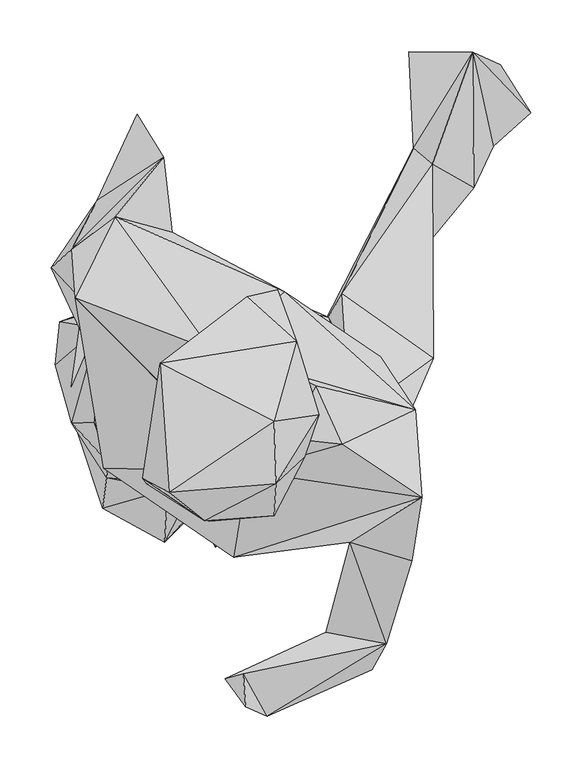
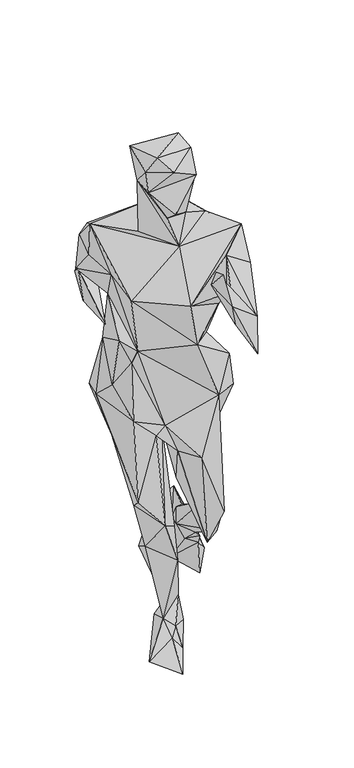
"""IFC4 building model written with IfcOpenShell, lengths in millimetres: geographic element geometry."""

import ifcopenshell
import ifcopenshell.guid

model = None  # the IFC model being written
_history = None  # IfcOwnerHistory: only IFC2X3 demands one
_inside = {}  # id of a spatial element -> (the spatial element, [elements in it])
_under = {}  # id of a project, library or spatial element -> (it, [spatial elements below it])
_declared = {}  # id of a project -> (the project, [libraries it declares])
_typed = {}  # id of a type object -> (the type object, [elements of that type])
_made_of = {}  # id of a material, layer set ... -> (it, [elements and type objects made of it])


def new_model(schema):
    """Start an empty IFC model of exactly this schema.

    Asked for "IFC4X3", IfcOpenShell would pick the latest addendum, in which some entities
    have other attributes; the version numbers below select the first issue.
    IFC2X3 requires an IfcOwnerHistory on every rooted entity: one is made here for all.
    """
    global model, _history
    if schema == "IFC4X3":
        model = ifcopenshell.file(schema_version=(4, 3, 0, 0))
    else:
        model = ifcopenshell.file(schema=schema)
    _inside.clear()
    _under.clear()
    _declared.clear()
    _typed.clear()
    _made_of.clear()
    _history = None
    if model.schema == "IFC2X3":
        org = make("IfcOrganization", Name="unknown")
        user = make(
            "IfcPersonAndOrganization",
            ThePerson=make("IfcPerson", FamilyName="unknown"),
            TheOrganization=org,
        )
        app = make(
            "IfcApplication",
            ApplicationDeveloper=org,
            Version="unknown",
            ApplicationFullName="unknown",
            ApplicationIdentifier="unknown",
        )
        _history = make(
            "IfcOwnerHistory",
            OwningUser=user,
            OwningApplication=app,
            ChangeAction="ADDED",
            CreationDate=0,
        )
    return model


def make(cls, **values):
    """One entity of the class cls with the attributes given. An attribute that is None is left unset."""
    return model.create_entity(
        cls, **{name: value for name, value in values.items() if value is not None}
    )


def rooted(cls, **values):
    """An entity with a GlobalId (a new one), such as an element, a storey or a relation."""
    return make(cls, GlobalId=ifcopenshell.guid.new(), OwnerHistory=_history, **values)


def si_unit(unit_type, name, prefix=None):
    """IfcSIUnit, for example si_unit("LENGTHUNIT", "METRE", prefix="MILLI")."""
    return make("IfcSIUnit", UnitType=unit_type, Prefix=prefix, Name=name)


def assignment(units):
    """IfcUnitAssignment: the units of a project."""
    return None if units is None else make("IfcUnitAssignment", Units=units)


def point(xyz):
    """IfcCartesianPoint."""
    return None if xyz is None else make("IfcCartesianPoint", Coordinates=xyz)


def direction(xyz):
    """IfcDirection."""
    return None if xyz is None else make("IfcDirection", DirectionRatios=xyz)


def frame(location, z_axis=None, x_axis=None):
    """IfcAxis2Placement3D, a coordinate frame: its origin and axes. An axis left out is left unset."""
    return make(
        "IfcAxis2Placement3D",
        Location=point(location),
        Axis=direction(z_axis),
        RefDirection=direction(x_axis),
    )


def origin():
    """The frame at (0, 0, 0) with its axes left unset."""
    return frame((0.0, 0.0, 0.0))


def place(relative_to, where):
    """IfcLocalPlacement: puts the frame where relative to a parent placement (None: the world)."""
    return make(
        "IfcLocalPlacement", PlacementRelTo=relative_to, RelativePlacement=where
    )


def context(
    kind, dimensions, precision=None, world=None, true_north=None, identifier=None
):
    """IfcGeometricRepresentationContext, for example the 3D "Model" context."""
    return make(
        "IfcGeometricRepresentationContext",
        ContextIdentifier=identifier,
        ContextType=kind,
        CoordinateSpaceDimension=dimensions,
        Precision=precision,
        WorldCoordinateSystem=world,
        TrueNorth=true_north,
    )


def project(units=None, contexts=None):
    """IfcProject with its units and contexts."""
    return rooted(
        "IfcProject",
        Name="project",
        RepresentationContexts=contexts,
        UnitsInContext=assignment(units),
    )


def spatial(cls, under=None, at=None, **own):
    """A site, building, storey or space (cls), placed at a placement, below another one or the project."""
    s = rooted(cls, ObjectPlacement=at, **own)
    if under is not None:
        _under.setdefault(under.id(), (under, []))[1].append(s)
    return s


def faces_of(points, faces, orient=None, outer=None):
    """IfcFace entities. A face is a list of loops; a loop is a list of indices into points, from 0.

    orient and outer hold one flag for each loop. By default every Orientation is true, the
    first loop of a face is its IfcFaceOuterBound and the others are IfcFaceBound.
    """
    made = []
    for i, loops in enumerate(faces):
        bounds = []
        for j, loop in enumerate(loops):
            is_outer = j == 0 if outer is None else outer[i][j]
            bounds.append(
                make(
                    "IfcFaceOuterBound" if is_outer else "IfcFaceBound",
                    Bound=make("IfcPolyLoop", Polygon=[points[k] for k in loop]),
                    Orientation=True if orient is None else orient[i][j],
                )
            )
        made.append(make("IfcFace", Bounds=bounds))
    return made


def faceted_brep(points, faces, orient=None, outer=None, voids=None):
    """IfcFacetedBrep: a solid bounded by flat faces; with voids (closed shells), ...WithVoids."""
    shared = [point(p) for p in points]
    hull = make("IfcClosedShell", CfsFaces=faces_of(shared, faces, orient, outer))
    if voids is None:
        return make("IfcFacetedBrep", Outer=hull)
    return make(
        "IfcFacetedBrepWithVoids",
        Outer=hull,
        Voids=[
            make(cls, CfsFaces=faces_of(shared, fs, o, b)) for cls, fs, o, b in voids
        ],
    )


def shape(context_of_items, identifier, shape_type, items):
    """IfcShapeRepresentation: the items that make up one representation, for example the "Body"."""
    return make(
        "IfcShapeRepresentation",
        ContextOfItems=context_of_items,
        RepresentationIdentifier=identifier,
        RepresentationType=shape_type,
        Items=items,
    )


def source(mapping_origin, context_of_items, identifier, shape_type, items):
    """IfcRepresentationMap: a shape defined once, which mapped items show again and again."""
    return make(
        "IfcRepresentationMap",
        MappingOrigin=mapping_origin,
        MappedRepresentation=shape(context_of_items, identifier, shape_type, items),
    )


def transform(
    local_origin,
    x_axis=None,
    y_axis=None,
    z_axis=None,
    scale=None,
    scale2=None,
    scale3=None,
    uniform=True,
):
    """IfcCartesianTransformationOperator3D, or its non-uniform kind. x_axis, y_axis, z_axis: its Axis1, 2, 3."""
    if uniform:
        return make(
            "IfcCartesianTransformationOperator3D",
            Axis1=direction(x_axis),
            Axis2=direction(y_axis),
            LocalOrigin=point(local_origin),
            Scale=scale,
            Axis3=direction(z_axis),
        )
    return make(
        "IfcCartesianTransformationOperator3DnonUniform",
        Axis1=direction(x_axis),
        Axis2=direction(y_axis),
        LocalOrigin=point(local_origin),
        Scale=scale,
        Axis3=direction(z_axis),
        Scale2=scale2,
        Scale3=scale3,
    )


def mapped(mapping_source, mapping_target):
    """IfcMappedItem: shows the shape of a source again, moved by a transform."""
    return make(
        "IfcMappedItem", MappingSource=mapping_source, MappingTarget=mapping_target
    )


def made_of(thing, what):
    """Note that an element or type object is made of a material, layer set ...; save() writes the relation."""
    if what is not None:
        _made_of.setdefault(what.id(), (what, []))[1].append(thing)
    return thing


def element(
    cls,
    number,
    at=None,
    inside=None,
    cuts=None,
    type_object=None,
    material=None,
    context=None,
    identifier="Body",
    shape_type=None,
    held_by="IfcProductDefinitionShape",
    body=None,
    shapes=None,
    **own,
):
    """One element of the class cls, such as IfcWall. Its Tag is "e" and its number.

    at: its placement. inside: the storey or other place that contains it. cuts: it is an
    opening in that element (IfcRelVoidsElement). A single representation is given by context,
    identifier, shape_type and body (its items); several are given by shapes. held_by: the class
    of the entity that holds the representations. save() writes the other relations.
    """
    e = rooted(cls, Tag="e%d" % number, ObjectPlacement=at, **own)
    if body is not None:
        shapes = [shape(context, identifier, shape_type, body)]
    if shapes is not None:
        e.Representation = make(held_by, Representations=shapes)
    if inside is not None:
        _inside.setdefault(inside.id(), (inside, []))[1].append(e)
    if cuts is not None:
        rooted(
            "IfcRelVoidsElement", RelatingBuildingElement=cuts, RelatedOpeningElement=e
        )
    if type_object is not None:
        _typed.setdefault(type_object.id(), (type_object, []))[1].append(e)
    return made_of(e, material)


def aggregate(whole, parts):
    """IfcRelAggregates: a whole, such as a stair, and the parts it consists of."""
    return rooted("IfcRelAggregates", RelatingObject=whole, RelatedObjects=parts)


def save(model, path):
    """Write the relations noted so far, then the file.

    IfcRelAggregates (storeys below a building ...), IfcRelContainedInSpatialStructure (elements
    in a storey), IfcRelDefinesByType, IfcRelAssociatesMaterial and IfcRelDeclares: one each for
    every whole, place, type object, material and project.
    """
    for whole, parts in _under.values():
        aggregate(whole, parts)
    for where, things in _inside.values():
        rooted(
            "IfcRelContainedInSpatialStructure",
            RelatedElements=things,
            RelatingStructure=where,
        )
    for kind, things in _typed.values():
        rooted("IfcRelDefinesByType", RelatedObjects=things, RelatingType=kind)
    for what, things in _made_of.values():
        rooted("IfcRelAssociatesMaterial", RelatedObjects=things, RelatingMaterial=what)
    for by, libraries in _declared.values():
        rooted("IfcRelDeclares", RelatingContext=by, RelatedDefinitions=libraries)
    model.write(path)


def geographic_element_2b757fcf(model_context):
    return source(origin(), model_context, "Body", "Brep", [
        faceted_brep([(28.2991488, -108.2267003, 1035.8687511), (-109.9413918, -42.4066889, 1025.1966588), (106.2284099, -84.0294649, 838.8381497), (-126.5759303, -38.5286095, 1184.4178292), (-130.8712794, 57.0378595, 1210.5555385), (-107.7871309, 113.9855818, 1110.1579529), (-34.6312891, -54.8238412, 774.265995), (-122.0273509, -32.4415747, 986.8959663), (-135.4674531, 6.3898693, 1036.2728706), (-177.3920335, 156.9553892, 1186.595306), (-154.3828379, 132.04412, 1235.9702434), (-154.0597509, 127.367942, 1337.0818927), (-157.6066445, 174.7121193, 1276.2306771), (-132.561682, 222.5303026, 1130.7849744), (-72.9613891, 239.2306596, 1099.5962484), (-59.564843, 191.4226091, 1157.7380753), (-115.1553825, 206.4285104, 1278.4620365), (-67.884124, 264.5237711, 1175.452337), (-21.1972685, 76.2753254, 1390.2284927), (49.596689, 133.3749725, 1185.6169554), (-93.9408976, 306.2133751, 1059.3074429), (49.2553705, 117.908223, 896.6863045), (-43.1997249, 141.8127549, 910.0615866), (142.9106426, 70.125497, 1210.2943509), (177.0223655, 18.4859557, 1297.5931007), (125.5347415, -3.9094779, 1041.2205329), (174.6483126, -71.3813892, 1207.8128904), (80.5595433, 41.8455894, 1382.4661799), (106.3529836, -15.0352826, 1372.3015616), (183.5185863, -66.7568586, 1336.5176751), (48.4572643, 56.0594753, 1464.3798886), (52.1388606, -9.2743746, 1382.3863097), (13.6760825, -41.3553859, 1309.0368348), (68.9607552, -27.8170478, 1507.1805529), (-23.6381606, -89.8237962, 1450.5650818), (-19.9312472, -38.1214577, 1406.470043), (39.3469701, -84.7718556, 1550.1807736), (-84.4021727, -53.3066385, 1517.9205945), (41.3503195, -53.6206134, 1617.0389452), (83.4906389, 13.5980945, 1520.5173305), (-28.0611381, -89.6556664, 1583.9997334), (-88.2681076, -48.0794826, 1581.2419458), (-74.0116751, 20.8600012, 1509.5728449), (-59.1941506, 46.5106288, 1487.2735555), (-62.2528635, 35.4678738, 1336.3414838), (13.4370567, 128.5640879, 1512.4238543), (-71.5211621, 63.9017291, 1590.3552574), (43.0103312, 135.1251138, 1466.3173971), (-62.6144327, -61.7737949, 1623.4855451), (39.3672245, 7.184931, 1626.8622674), (61.1316703, 85.408925, 1524.423938), (0.0263333, -125.0688567, 1177.7514074), (113.2735671, -110.4609729, 1287.7080281), (118.6688453, -103.6983865, 1162.8407096), (119.0982819, -62.8737203, 1107.9672438), (162.4945084, -42.1068998, 922.4534517), (125.6674215, 12.4353802, 969.6497201), (92.3558388, 108.6936058, 814.5518202), (87.8295515, 92.3538122, 742.7379397), (172.1233555, -45.2577764, 825.3433602), (-64.3260993, 143.0068743, 765.1648427), (-14.8023346, 155.5587183, 820.0514215), (-169.0636405, 104.0974396, 856.9899095), (-131.5914078, 97.8240433, 990.3963086), (-116.0952807, 80.2516555, 690.3013502), (-173.7286725, 62.3531334, 849.7533693), (-157.5499307, 5.5664479, 907.384742), (-123.5080942, -47.618653, 812.1463556), (-127.360849, -76.9660687, 577.9656696), (-11.51878, 46.0113132, 657.9529562), (-99.0819621, -5.1603084, 516.243511), (-67.0262716, -109.9829288, 504.0177641), (-64.0050388, -59.2772022, 754.8857238), (9.188285, 39.9445328, 699.1118106), (3.0323772, -52.7111025, 680.0506031), (44.4313133, -104.0123614, 674.6867216), (71.6953641, -85.9993984, 389.9288725), (33.0756005, 6.007024, 550.4868559), (108.4110351, -108.7705778, 487.4166786), (143.9852548, -1.046241, 689.1102706), (157.7950249, -16.1817929, 418.9116605), (113.5683046, 10.0117064, 446.4390521), (177.9825069, 50.5730429, 306.0138486), (62.0087713, 46.9431052, 605.5497452), (194.8115057, 69.0205089, 373.0685069), (105.7027491, 131.45162, 357.4852601), (85.432208, 97.1920478, 331.4183909), (193.2193464, 184.9446274, 213.7846175), (193.5120499, 257.4917642, 258.0295769), (175.1446106, 273.3079161, 216.8007913), (234.2516453, 234.782365, 158.984078), (191.7254305, 238.7181789, 163.8851146), (232.9643489, 366.4436295, 236.2843574), (198.5093033, 323.476847, 52.1236689), (171.0173616, 367.2306194, 207.3066358), (252.937135, 275.2221789, 107.0467593), (289.3064284, 307.7923617, 57.4602031), (259.9559394, 354.6757058, 167.0025417), (267.0082119, 291.631844, -3.1377102), (6.469882, -30.1657725, 429.2080051), (-91.0634834, -49.7293652, 411.9981476), (22.1756526, -20.6017324, 311.3493881), (-39.6963912, 8.3365048, 477.8576732), (2.2028791, 61.493247, 321.2587794), (-52.7323701, 50.1952612, 339.7913235), (51.3498777, 98.9999237, 105.2601548), (5.3699612, 25.0885148, 106.8442004), (60.4480162, 44.1983672, 150.9108972), (70.195376, 35.4344505, 74.9515733), (53.2063723, 128.2095893, 17.2412021), (17.9734693, 93.453734, 74.9860099), (24.9507722, -4.6447836, 95.5482411), (-64.8284546, -23.4416739, 25.7924233), (5.3365384, -19.5372605, 73.3411899), (23.7860323, -42.0673969, 50.1537354), (-17.5227632, -115.1553825, 25.2829768), (148.8994491, -209.1945235, 1144.7821714), (173.6385354, -128.4405275, 1256.0250604), (89.9301384, -198.0251794, 1133.8690379), (134.7473396, -234.4582499, 1047.4524369), (-7.9739167, -243.085441, 1319.1053704), (32.7656749, -279.790994, 1257.6535785), (9.6470917, -238.2026583, 1349.0593267), (11.7780602, -270.6047263, 1360.0576948), (-158.0208818, 40.9877295, 1075.5256281), (-135.8006729, 191.7821443, 1050.6183971)], [[[0, 1, 2]], [[0, 3, 1]], [[4, 5, 1]], [[2, 1, 6]], [[7, 6, 1]], [[1, 5, 8]], [[1, 3, 4]], [[1, 8, 7]], [[4, 9, 5]], [[9, 4, 10]], [[10, 4, 11]], [[11, 4, 3]], [[10, 12, 9]], [[10, 11, 12]], [[9, 12, 13]], [[9, 13, 14]], [[9, 15, 5]], [[9, 14, 15]], [[12, 16, 17]], [[13, 12, 17]], [[16, 12, 11]], [[16, 18, 19]], [[16, 11, 18]], [[16, 19, 15]], [[17, 16, 15]], [[20, 13, 17]], [[14, 20, 17]], [[15, 14, 17]], [[21, 22, 15]], [[22, 5, 15]], [[19, 21, 15]], [[23, 21, 19]], [[18, 24, 19]], [[19, 24, 23]], [[25, 21, 23]], [[26, 25, 23]], [[24, 26, 23]], [[18, 27, 24]], [[24, 28, 29]], [[29, 26, 24]], [[24, 27, 28]], [[18, 30, 27]], [[31, 27, 30]], [[28, 27, 31]], [[29, 28, 32]], [[31, 32, 28]], [[33, 34, 31]], [[31, 30, 33]], [[35, 32, 31]], [[34, 35, 31]], [[33, 36, 34]], [[37, 34, 36]], [[37, 35, 34]], [[38, 36, 33]], [[33, 39, 38]], [[39, 33, 30]], [[40, 37, 36]], [[38, 40, 36]], [[41, 42, 37]], [[37, 40, 41]], [[35, 37, 43]], [[37, 42, 43]], [[35, 43, 32]], [[32, 43, 44]], [[45, 43, 46]], [[41, 46, 43]], [[44, 43, 18]], [[41, 43, 42]], [[43, 47, 18]], [[43, 45, 47]], [[41, 48, 46]], [[40, 48, 41]], [[46, 48, 49]], [[46, 49, 50]], [[45, 46, 50]], [[45, 50, 47]], [[30, 47, 50]], [[18, 47, 30]], [[44, 18, 11]], [[3, 32, 11]], [[32, 44, 11]], [[51, 32, 3]], [[51, 3, 0]], [[51, 29, 32]], [[52, 51, 53]], [[54, 51, 0]], [[29, 51, 52]], [[53, 51, 54]], [[55, 0, 2]], [[0, 56, 54]], [[55, 56, 0]], [[25, 26, 54]], [[25, 54, 56]], [[26, 53, 54]], [[21, 25, 56]], [[57, 21, 56]], [[55, 57, 56]], [[57, 55, 58]], [[59, 58, 55]], [[55, 2, 59]], [[60, 57, 58]], [[61, 57, 60]], [[21, 57, 61]], [[21, 61, 22]], [[61, 60, 22]], [[22, 62, 63]], [[60, 62, 22]], [[22, 63, 5]], [[60, 64, 62]], [[65, 62, 64]], [[62, 65, 63]], [[66, 8, 63]], [[63, 65, 66]], [[63, 8, 5]], [[67, 65, 68]], [[65, 64, 68]], [[67, 66, 65]], [[64, 69, 70]], [[64, 60, 69]], [[68, 64, 70]], [[71, 72, 68]], [[71, 68, 70]], [[67, 68, 72]], [[67, 7, 66]], [[7, 67, 6]], [[72, 6, 67]], [[8, 66, 7]], [[73, 72, 71]], [[73, 74, 72]], [[6, 72, 74]], [[2, 6, 75]], [[75, 6, 74]], [[76, 74, 77]], [[74, 73, 77]], [[75, 74, 76]], [[2, 75, 78]], [[75, 76, 78]], [[79, 2, 78]], [[59, 2, 79]], [[78, 80, 79]], [[78, 76, 80]], [[76, 77, 81]], [[81, 82, 76]], [[76, 82, 80]], [[83, 81, 77]], [[77, 73, 83]], [[83, 79, 81]], [[58, 83, 73]], [[83, 58, 79]], [[81, 79, 80]], [[58, 59, 79]], [[81, 80, 84]], [[82, 84, 80]], [[81, 84, 85]], [[82, 81, 86]], [[81, 85, 86]], [[82, 86, 87]], [[82, 87, 84]], [[87, 88, 84]], [[84, 88, 85]], [[85, 88, 89]], [[86, 85, 89]], [[87, 86, 89]], [[90, 88, 87]], [[89, 91, 87]], [[87, 91, 90]], [[90, 92, 88]], [[88, 92, 89]], [[93, 89, 94]], [[91, 89, 93]], [[89, 92, 94]], [[95, 91, 93]], [[90, 91, 95]], [[92, 90, 95]], [[92, 95, 96]], [[94, 92, 97]], [[92, 96, 97]], [[97, 93, 94]], [[93, 97, 96]], [[98, 95, 93]], [[98, 93, 96]], [[96, 95, 98]], [[58, 73, 60]], [[73, 71, 99]], [[60, 73, 69]], [[73, 99, 69]], [[71, 100, 101]], [[71, 70, 100]], [[71, 101, 99]], [[69, 99, 102]], [[99, 103, 102]], [[101, 103, 99]], [[69, 102, 70]], [[102, 100, 70]], [[104, 100, 102]], [[102, 103, 104]], [[100, 105, 106]], [[100, 104, 105]], [[101, 100, 106]], [[101, 106, 107]], [[101, 107, 103]], [[103, 107, 105]], [[105, 104, 103]], [[108, 109, 105]], [[107, 108, 105]], [[110, 106, 105]], [[110, 105, 109]], [[107, 106, 111]], [[107, 111, 108]], [[112, 106, 110]], [[106, 113, 111]], [[112, 113, 106]], [[112, 110, 109]], [[108, 114, 109]], [[112, 109, 115]], [[115, 109, 114]], [[108, 111, 114]], [[114, 111, 113]], [[115, 114, 113]], [[115, 113, 112]], [[116, 26, 117]], [[116, 53, 26]], [[117, 26, 29]], [[117, 29, 52]], [[116, 117, 52]], [[52, 53, 118]], [[52, 118, 116]], [[116, 119, 53]], [[118, 53, 119]], [[120, 118, 121]], [[119, 121, 118]], [[118, 120, 116]], [[119, 116, 121]], [[121, 116, 122]], [[116, 120, 122]], [[121, 123, 120]], [[122, 123, 121]], [[123, 122, 120]], [[50, 39, 30]], [[49, 39, 50]], [[39, 49, 38]], [[38, 49, 48]], [[38, 48, 40]], [[14, 13, 124]], [[124, 125, 14]], [[125, 20, 14]], [[124, 13, 125]], [[20, 125, 13]]]),
    ])


if __name__ == "__main__":
    model = new_model("IFC4")
    model_context = context("Model", 3, world=origin())
    ifc_project = project(units=[si_unit("LENGTHUNIT", "METRE", prefix="MILLI")], contexts=[model_context])
    site = spatial("IfcSite", under=ifc_project)
    building = spatial("IfcBuilding", under=site)
    placement = place(None, origin())
    geographic_element_shape = geographic_element_2b757fcf(model_context)
    element("IfcGeographicElement", 1, at=placement, inside=building, context=model_context, shape_type="MappedRepresentation", body=[
        mapped(geographic_element_shape, transform((0.0, 0.0, 0.0), x_axis=(1.0, 0.0, 0.0), y_axis=(0.0, 1.0, 0.0), z_axis=(0.0, 0.0, 1.0))),
    ])
    save(model, "model.ifc")
